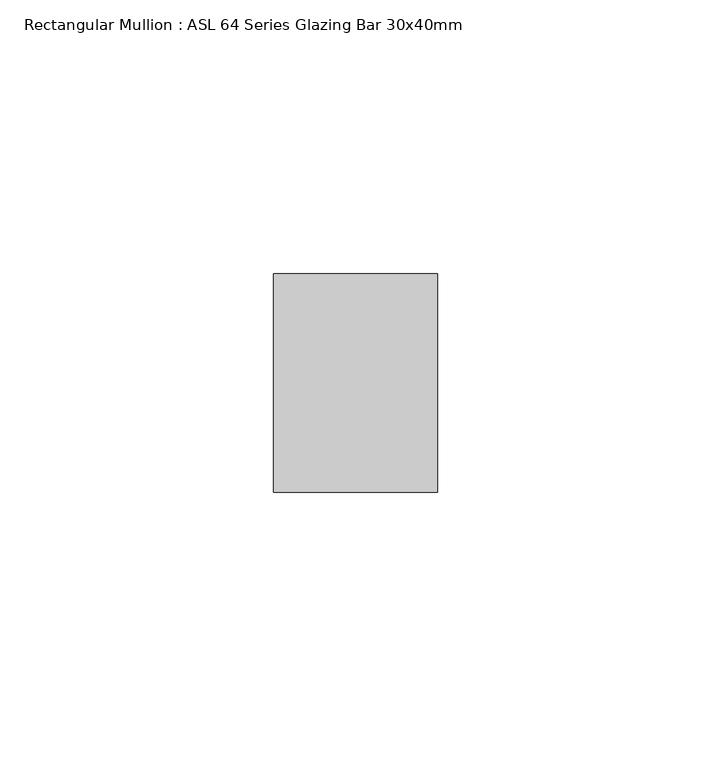
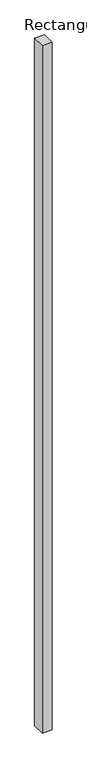
"""IFC4 building model written with IfcOpenShell, lengths in millimetres: member geometry, Rectangular Mullion : ASL 64 Series Glazing Bar 30x40mm."""

from ifc_helpers import new_model, si_unit, frame, origin, place, context, project, spatial, polyline, outline, extrude, source, transform, mapped, element, save


def rectangular_mullion_asl_64_series_glazing_bar_30x40mm_a62728ef(model_context):
    return source(origin(), model_context, "Body", "SweptSolid", [
        extrude(outline(polyline([(-30.0, 20.0), (0.0, 20.0), (0.0, -20.0), (-30.0, -20.0), (-30.0, 20.0)])), frame((0.0, 0.0, -2200.0), z_axis=(0.0, 0.0, 1.0), x_axis=(1.0, 0.0, 0.0)), (0.0, 0.0, 1.0), 2200.0),
    ])


if __name__ == "__main__":
    model = new_model("IFC4")
    model_context = context("Model", 3, world=origin())
    ifc_project = project(units=[si_unit("LENGTHUNIT", "METRE", prefix="MILLI")], contexts=[model_context])
    site = spatial("IfcSite", under=ifc_project)
    building = spatial("IfcBuilding", under=site)
    placement = place(None, origin())
    rectangular_mullion_asl_64_series_glazing_bar_30x40mm_shape = rectangular_mullion_asl_64_series_glazing_bar_30x40mm_a62728ef(model_context)
    element("IfcMember", 1, ObjectType="Rectangular Mullion : ASL 64 Series Glazing Bar 30x40mm", at=placement, inside=building, context=model_context, shape_type="MappedRepresentation", body=[
        mapped(rectangular_mullion_asl_64_series_glazing_bar_30x40mm_shape, transform((0.0, 0.0, 0.0), x_axis=(1.0, 0.0, 0.0), y_axis=(0.0, 1.0, 0.0), z_axis=(0.0, 0.0, 1.0))),
    ])
    save(model, "model.ifc")
